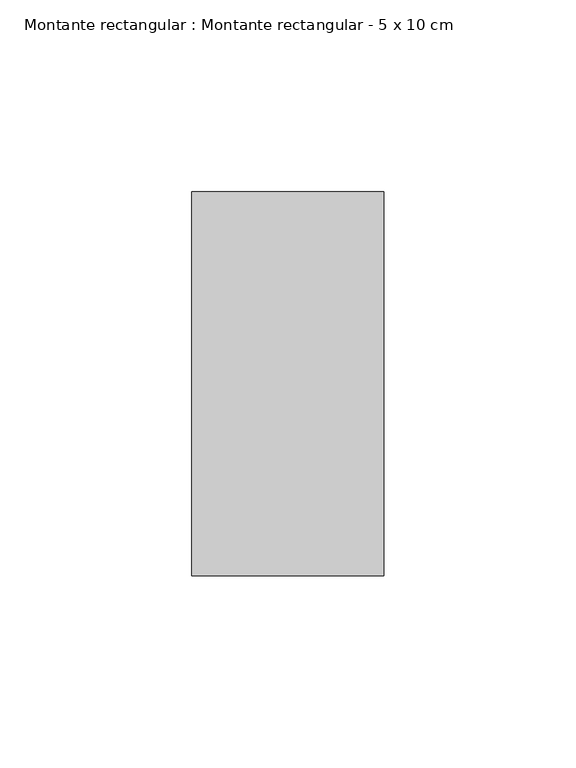
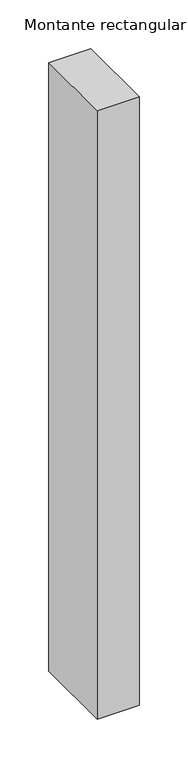
"""IFC4 building model written with IfcOpenShell, lengths in millimetres: member geometry, Montante rectangular : Montante rectangular - 5 x 10 cm."""

from ifc_helpers import new_model, si_unit, frame, origin, place, context, project, spatial, polyline, outline, extrude, source, transform, mapped, element, save


def montante_rectangular_montante_rectangular_5_x_10_cm_5a3b1d8b(model_context):
    return source(origin(), model_context, "Body", "SweptSolid", [
        extrude(outline(polyline([(0.0, 50.0), (0.0, -50.0), (-50.0, -50.0), (-50.0, 50.0), (0.0, 50.0)])), frame((0.0, 0.0, -764.0), z_axis=(0.0, 0.0, 1.0), x_axis=(1.0, 0.0, 0.0)), (0.0, 0.0, 1.0), 764.0),
    ])


if __name__ == "__main__":
    model = new_model("IFC4")
    model_context = context("Model", 3, world=origin())
    ifc_project = project(units=[si_unit("LENGTHUNIT", "METRE", prefix="MILLI")], contexts=[model_context])
    site = spatial("IfcSite", under=ifc_project)
    building = spatial("IfcBuilding", under=site)
    placement = place(None, origin())
    montante_rectangular_montante_rectangular_5_x_10_cm_shape = montante_rectangular_montante_rectangular_5_x_10_cm_5a3b1d8b(model_context)
    element("IfcMember", 1, ObjectType="Montante rectangular : Montante rectangular - 5 x 10 cm", at=placement, inside=building, context=model_context, shape_type="MappedRepresentation", body=[
        mapped(montante_rectangular_montante_rectangular_5_x_10_cm_shape, transform((0.0, 0.0, 0.0), x_axis=(1.0, 0.0, 0.0), y_axis=(0.0, 1.0, 0.0), z_axis=(0.0, 0.0, 1.0))),
    ])
    save(model, "model.ifc")
